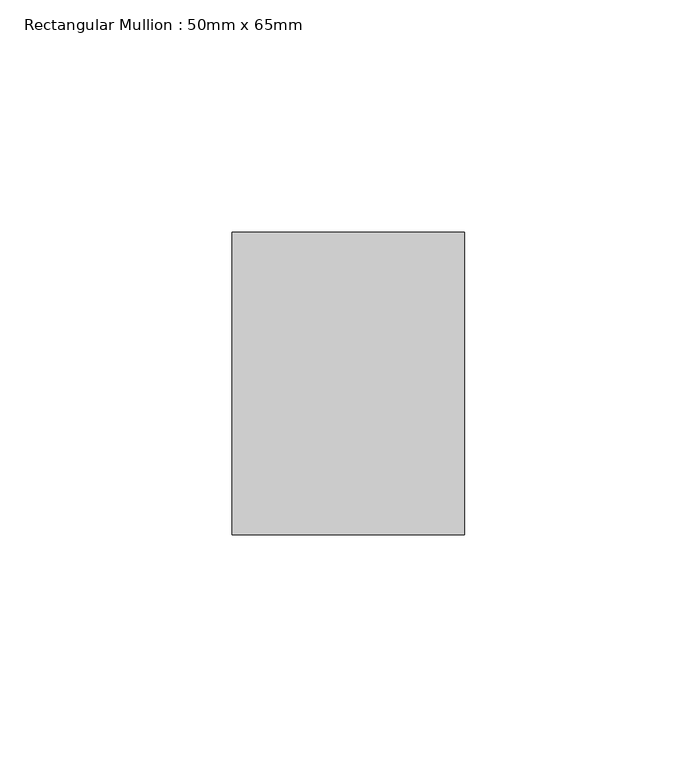
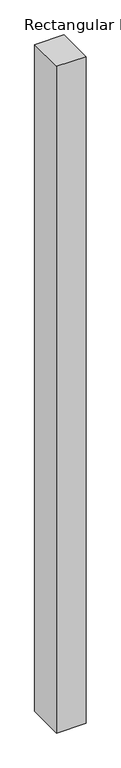
"""IFC4 building model written with IfcOpenShell, lengths in millimetres: member geometry, Rectangular Mullion : 50mm x 65mm."""

from ifc_helpers import new_model, si_unit, frame, origin, place, context, project, spatial, polyline, outline, extrude, source, transform, mapped, element, save


def rectangular_mullion_50mm_x_65mm_b88ed79b(model_context):
    return source(origin(), model_context, "Body", "SweptSolid", [
        extrude(outline(polyline([(25.0, 32.5), (25.0, -32.5), (-25.0, -32.5), (-25.0, 32.5), (25.0, 32.5)])), frame((0.0, 0.0, -1205.179314), z_axis=(0.0, 0.0, 1.0), x_axis=(1.0, 0.0, 0.0)), (0.0, 0.0, 1.0), 1205.179314),
    ])


if __name__ == "__main__":
    model = new_model("IFC4")
    model_context = context("Model", 3, world=origin())
    ifc_project = project(units=[si_unit("LENGTHUNIT", "METRE", prefix="MILLI")], contexts=[model_context])
    site = spatial("IfcSite", under=ifc_project)
    building = spatial("IfcBuilding", under=site)
    placement = place(None, origin())
    rectangular_mullion_50mm_x_65mm_shape = rectangular_mullion_50mm_x_65mm_b88ed79b(model_context)
    element("IfcMember", 1, ObjectType="Rectangular Mullion : 50mm x 65mm", at=placement, inside=building, context=model_context, shape_type="MappedRepresentation", body=[
        mapped(rectangular_mullion_50mm_x_65mm_shape, transform((0.0, 0.0, 0.0), x_axis=(1.0, 0.0, 0.0), y_axis=(0.0, 1.0, 0.0), z_axis=(0.0, 0.0, 1.0))),
    ])
    save(model, "model.ifc")
